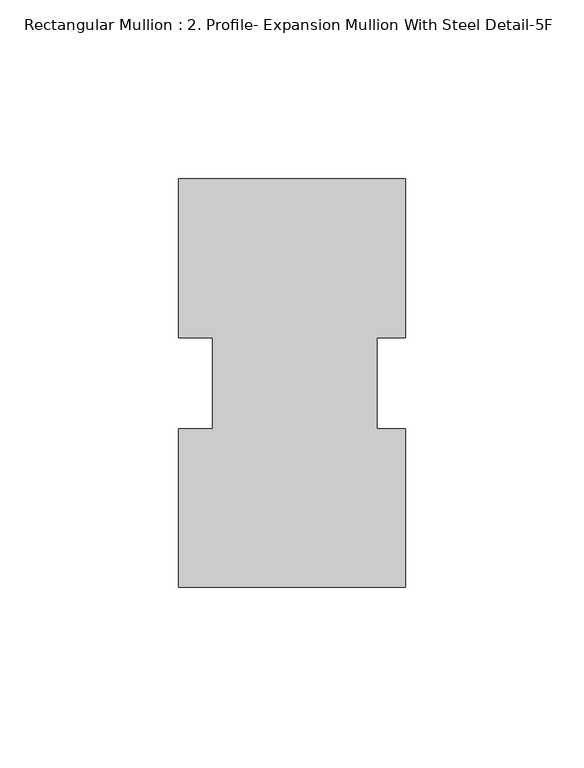
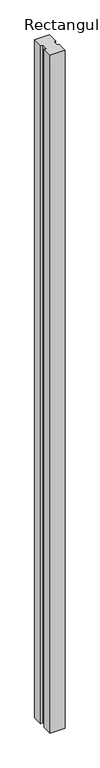
"""IFC4 building model written with IfcOpenShell, lengths in millimetres: member geometry, Rectangular Mullion : 2. Profile- Expansion Mullion With Steel Detail-5F."""

from ifc_helpers import new_model, si_unit, frame, origin, place, context, project, spatial, polyline, outline, extrude, source, transform, mapped, element, save


def rectangular_mullion_2_profile_expansion_mullion_with_steel_9eb49a6c(model_context):
    return source(origin(), model_context, "Body", "SweptSolid", [
        extrude(outline(polyline([(23.9188573, -57.13891), (-39.5811427, -57.13891), (-39.5811427, -12.7438492), (-30.0561427, -12.7438492), (-30.0561427, 12.7438492), (-39.5811427, 12.7438492), (-39.5811427, 57.16109), (23.9188573, 57.16109), (23.9188573, 12.7438492), (15.9813573, 12.7438492), (15.9813573, -12.7438492), (23.9188573, -12.7438492), (23.9188573, -57.13891)])), frame((0.0, 0.0, -3048.0), z_axis=(0.0, 0.0, 1.0), x_axis=(1.0, 0.0, 0.0)), (0.0, 0.0, 1.0), 3048.0),
    ])


if __name__ == "__main__":
    model = new_model("IFC4")
    model_context = context("Model", 3, world=origin())
    ifc_project = project(units=[si_unit("LENGTHUNIT", "METRE", prefix="MILLI")], contexts=[model_context])
    site = spatial("IfcSite", under=ifc_project)
    building = spatial("IfcBuilding", under=site)
    placement = place(None, origin())
    rectangular_mullion_2_profile_expansion_mullion_with_steel_shape = rectangular_mullion_2_profile_expansion_mullion_with_steel_9eb49a6c(model_context)
    element("IfcMember", 1, ObjectType="Rectangular Mullion : 2. Profile- Expansion Mullion With Steel Detail-5F", at=placement, inside=building, context=model_context, shape_type="MappedRepresentation", body=[
        mapped(rectangular_mullion_2_profile_expansion_mullion_with_steel_shape, transform((0.0, 0.0, 0.0), x_axis=(1.0, 0.0, 0.0), y_axis=(0.0, 1.0, 0.0), z_axis=(0.0, 0.0, 1.0))),
    ])
    save(model, "model.ifc")
